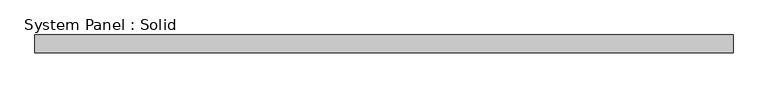
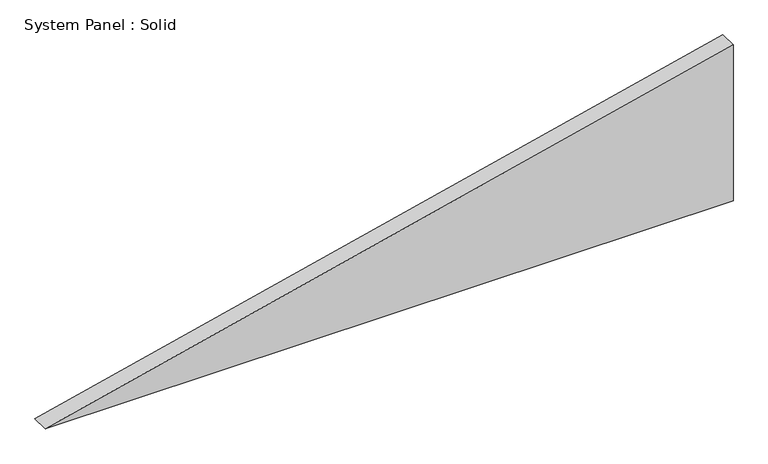
"""IFC4 building model written with IfcOpenShell, lengths in millimetres: plate geometry, System Panel : Solid."""

from ifc_helpers import new_model, si_unit, frame, origin, place, context, project, spatial, polyline, outline, extrude, source, transform, mapped, element, save


def system_panel_solid_de38d9f3(model_context):
    return source(origin(), model_context, "Body", "SweptSolid", [
        extrude(outline(polyline([(0.0, -1173.7539047), (0.0, 1173.7539047), (562.0177673, 1173.7539047), (0.0, -1173.7539047)])), frame((0.0, -10.5, 0.0), z_axis=(0.0, 1.0, 0.0), x_axis=(0.0, 0.0, 1.0)), (0.0, 0.0, 1.0), 60.0),
    ])


if __name__ == "__main__":
    model = new_model("IFC4")
    model_context = context("Model", 3, world=origin())
    ifc_project = project(units=[si_unit("LENGTHUNIT", "METRE", prefix="MILLI")], contexts=[model_context])
    site = spatial("IfcSite", under=ifc_project)
    building = spatial("IfcBuilding", under=site)
    placement = place(None, origin())
    system_panel_solid_shape = system_panel_solid_de38d9f3(model_context)
    element("IfcPlate", 1, ObjectType="System Panel : Solid", at=placement, inside=building, context=model_context, shape_type="MappedRepresentation", body=[
        mapped(system_panel_solid_shape, transform((0.0, 0.0, 0.0), x_axis=(1.0, 0.0, 0.0), y_axis=(0.0, 1.0, 0.0), z_axis=(0.0, 0.0, 1.0))),
    ])
    save(model, "model.ifc")
